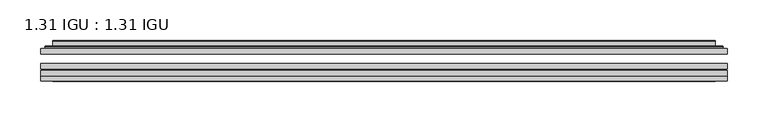
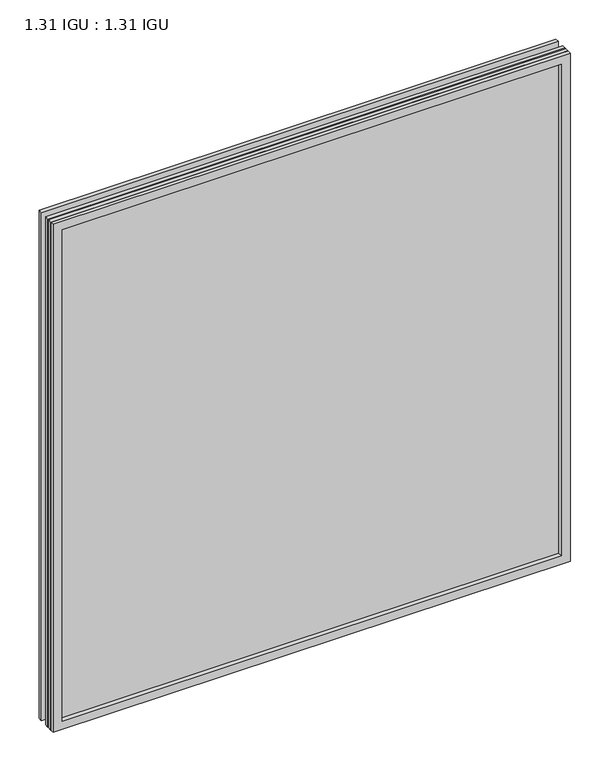
"""IFC4 building model written with IfcOpenShell, lengths in millimetres: plate geometry, 1.31 IGU : 1.31 IGU."""

from ifc_helpers import new_model, si_unit, frame, origin, place, context, project, spatial, polyline, ellipse_curve, outline, extrude, faceted_brep, source, transform, mapped, element, save
from ifc_brep_helpers import plane_surface, cylinder_surface, advanced_brep


def plate_1_31_igu_1_31_igu_829a38d9(model_context):
    return source(origin(), model_context, "Body", "SolidModel", [
        extrude(outline(polyline([(419.114175, -63.2975937), (419.114175, -69.6475938), (-419.1, -69.6475938), (-419.1, -63.2975937), (419.114175, -63.2975937)])), frame((0.0, 0.0, -14.2875), z_axis=(0.0, 0.0, 1.0), x_axis=(1.0, 0.0, 0.0)), (0.0, 0.0, 1.0), 869.9537979),
        extrude(outline(polyline([(-419.1, -78.2835938), (-419.1, -71.9330887), (419.114175, -71.9330887), (419.114175, -78.2835938), (-419.1, -78.2835938)])), frame((0.0, 0.0, -14.2875), z_axis=(0.0, 0.0, 1.0), x_axis=(1.0, 0.0, 0.0)), (0.0, 0.0, 1.0), 869.9537979),
        extrude(outline(polyline([(419.114175, -44.9587937), (419.114175, -51.3087938), (-419.1, -51.3087938), (-419.1, -44.9587937), (419.114175, -44.9587937)])), frame((0.0, 0.0, -14.2875), z_axis=(0.0, 0.0, 1.0), x_axis=(1.0, 0.0, 0.0)), (0.0, 0.0, 1.0), 869.9537979),
        faceted_brep([(-419.1127, -84.6335937, 855.6752), (-419.1127, -78.2835937, 855.6752), (-419.1127, -78.2835937, -14.3002), (-419.1127, -84.6335937, -14.3002), (419.1127, -78.2835937, -14.3002), (419.1127, -84.6335937, -14.3002), (419.1127, -78.2835937, 855.6752), (419.1127, -84.6335937, 855.6752), (-403.9147559, -78.2835937, 0.8977441), (403.9147559, -78.2835937, 0.8977441), (403.9147559, -78.2835937, 840.4772559), (-403.9147559, -78.2835937, 840.4772559), (-404.8071902, -84.6335937, 841.3696902), (404.8071902, -84.6335937, 841.3696902), (404.8071902, -84.6335937, 0.0053098), (-404.8071902, -84.6335937, 0.0053098)], [[[0, 1, 2, 3]], [[3, 2, 4, 5]], [[5, 4, 6, 7]], [[1, 6, 4, 2], [8, 9, 10, 11]], [[7, 6, 1, 0]], [[3, 5, 7, 0], [12, 13, 14, 15]], [[11, 12, 15, 8]], [[8, 15, 14, 9]], [[9, 14, 13, 10]], [[10, 13, 12, 11]]]),
        advanced_brep(
        [(-411.858719, -44.9587937, 848.421219), (-414.2129244, -42.9691271, 850.7754244), (-414.2129244, -42.9691271, -9.4004244), (-411.858719, -44.9587937, -7.046219), (-402.7843939, -41.1187568, 839.3468939), (-397.8495621, -44.9587937, 834.4120621), (-397.8495621, -44.9587937, 6.9629379), (-402.7843939, -41.1187568, 2.0281061), (-403.8164217, -35.7215256, 840.3789217), (-403.8164217, -35.7215256, 0.9960783), (-404.8070784, -35.3225507, 841.3695784), (-404.8070784, -35.3225507, 0.0054216), (-404.8070784, -41.7837937, 841.3695784), (-404.8070784, -41.7837937, 0.0054216), (-413.2111349, -41.7837937, 849.7736349), (-413.2111349, -41.7837937, -8.3986349), (414.2129244, -42.9691271, -9.4004244), (411.858719, -44.9587937, -7.046219), (397.8495621, -44.9587937, 6.9629379), (402.7843939, -41.1187568, 2.0281061), (403.8164217, -35.7215256, 0.9960783), (404.8070784, -35.3225507, 0.0054216), (404.8070784, -41.7837937, 0.0054216), (413.2111349, -41.7837937, -8.3986349), (414.2129244, -42.9691271, 850.7754244), (411.858719, -44.9587937, 848.421219), (397.8495621, -44.9587937, 834.4120621), (402.7843939, -41.1187568, 839.3468939), (403.8164217, -35.7215256, 840.3789217), (404.8070784, -35.3225507, 841.3695784), (404.8070784, -41.7837937, 841.3695784), (413.2111349, -41.7837937, 849.7736349)],
        [
            (0, 1, ellipse_curve(frame((-411.858719, -42.5711937, 848.421219), z_axis=(-0.7071067811865475, 0.0, -0.7071067811865475), x_axis=(-0.7071067811865474, 0.0, 0.7071067811865476)), 3.3765763, 2.3876)),
            (1, 2),
            (2, 3, ellipse_curve(frame((-411.858719, -42.5711937, -7.046219), z_axis=(-0.7071067811865475, 0.0, 0.7071067811865475), x_axis=(0.7071067811865474, 0.0, 0.7071067811865476)), 3.3765763, 2.3876)),
            (3, 0),
            (4, 5),
            (5, 6),
            (6, 7),
            (7, 4),
            (8, 4),
            (7, 9),
            (9, 8),
            (10, 8, ellipse_curve(frame((-404.4401219, -35.840786, 841.0026219), z_axis=(-0.7071067811865475, 0.0, -0.7071067811865475), x_axis=(-0.7071067811865474, 0.0, 0.7071067811865476)), 0.8980256, 0.635)),
            (9, 11, ellipse_curve(frame((-404.4401219, -35.840786, 0.3723781), z_axis=(-0.7071067811865475, 0.0, 0.7071067811865475), x_axis=(0.7071067811865474, 0.0, 0.7071067811865476)), 0.8980256, 0.635)),
            (11, 10),
            (12, 10),
            (11, 13),
            (13, 12),
            (1, 14, ellipse_curve(frame((-413.2111349, -42.7997937, 849.7736349), z_axis=(-0.7071067811865475, 0.0, -0.7071067811865475), x_axis=(-0.7071067811865474, 0.0, 0.7071067811865476)), 1.436841, 1.016)),
            (14, 15),
            (15, 2, ellipse_curve(frame((-413.2111349, -42.7997937, -8.3986349), z_axis=(-0.7071067811865475, 0.0, 0.7071067811865475), x_axis=(0.7071067811865474, 0.0, 0.7071067811865476)), 1.436841, 1.016)),
            (2, 16),
            (16, 17, ellipse_curve(frame((411.858719, -42.5711937, -7.046219), z_axis=(-0.7071067811865475, 0.0, -0.7071067811865475), x_axis=(-0.7071067811865476, 0.0, 0.7071067811865474)), 3.3765763, 2.3876)),
            (17, 3),
            (6, 18),
            (18, 19),
            (19, 7),
            (19, 20),
            (20, 9),
            (20, 21, ellipse_curve(frame((404.4401219, -35.840786, 0.3723781), z_axis=(-0.7071067811865475, 0.0, -0.7071067811865475), x_axis=(-0.7071067811865476, 0.0, 0.7071067811865474)), 0.8980256, 0.635)),
            (21, 11),
            (21, 22),
            (22, 13),
            (15, 23),
            (23, 16, ellipse_curve(frame((413.2111349, -42.7997937, -8.3986349), z_axis=(-0.7071067811865475, 0.0, -0.7071067811865475), x_axis=(-0.7071067811865476, 0.0, 0.7071067811865474)), 1.436841, 1.016)),
            (16, 24),
            (24, 25, ellipse_curve(frame((411.858719, -42.5711937, 848.421219), z_axis=(0.7071067811865475, 0.0, -0.7071067811865475), x_axis=(-0.7071067811865474, 0.0, -0.7071067811865476)), 3.3765763, 2.3876)),
            (25, 17),
            (18, 26),
            (26, 27),
            (27, 19),
            (27, 28),
            (28, 20),
            (28, 29, ellipse_curve(frame((404.4401219, -35.840786, 841.0026219), z_axis=(0.7071067811865475, 0.0, -0.7071067811865475), x_axis=(-0.7071067811865474, 0.0, -0.7071067811865476)), 0.8980256, 0.635)),
            (29, 21),
            (29, 30),
            (30, 22),
            (23, 31),
            (31, 24, ellipse_curve(frame((413.2111349, -42.7997937, 849.7736349), z_axis=(0.7071067811865475, 0.0, -0.7071067811865475), x_axis=(-0.7071067811865474, 0.0, -0.7071067811865476)), 1.436841, 1.016)),
            (24, 1),
            (0, 25),
            (5, 26),
            (4, 27),
            (8, 28),
            (10, 29),
            (12, 30),
            (14, 31),
        ],
        [
            cylinder_surface(frame((-411.858719, -42.5711937, 873.125), z_axis=(0.0, 0.0, 1.0), x_axis=(-1.0, 0.0, 0.0)), 2.3876),
            plane_surface(frame((-397.8495621, -44.9587937, 834.4120621), z_axis=(0.6141233906514794, 0.7892100234124821, 0.0), x_axis=(0.0, 0.0, -1.0))),
            plane_surface(frame((-402.7843939, -41.1187568, 839.3468939), z_axis=(0.9822050625507729, 0.18781164793386076, 0.0), x_axis=(0.0, 0.0, -1.0))),
            cylinder_surface(frame((-404.4401219, -35.840786, 873.125), z_axis=(0.0, 0.0, 1.0), x_axis=(-1.0, 0.0, 0.0)), 0.635),
            plane_surface(frame((-404.8070784, -35.3225507, 841.3695784), z_axis=(-1.0, 0.0, 0.0), x_axis=(0.0, 0.0, -1.0))),
            cylinder_surface(frame((-413.2111349, -42.7997937, 873.125), z_axis=(0.0, 0.0, 1.0), x_axis=(-1.0, 0.0, 0.0)), 1.016),
            cylinder_surface(frame((-436.5625, -42.5711937, -7.046219), z_axis=(-1.0, 0.0, 0.0), x_axis=(0.0, 0.0, -1.0)), 2.3876),
            plane_surface(frame((-397.8495621, -44.9587937, 6.9629379), z_axis=(0.0, 0.7892100234124841, 0.6141233906514768), x_axis=(1.0, 0.0, 0.0))),
            plane_surface(frame((-402.7843939, -41.1187568, 2.0281061), z_axis=(0.0, 0.18781164793386393, 0.9822050625507723), x_axis=(1.0, 0.0, 0.0))),
            cylinder_surface(frame((-436.5625, -35.840786, 0.3723781), z_axis=(-1.0, 0.0, 0.0), x_axis=(0.0, 0.0, -1.0)), 0.635),
            plane_surface(frame((-404.8070784, -35.3225507, 0.0054216), z_axis=(0.0, 0.0, -1.0), x_axis=(1.0, 0.0, 0.0))),
            cylinder_surface(frame((-436.5625, -42.7997937, -8.3986349), z_axis=(-1.0, 0.0, 0.0), x_axis=(0.0, 0.0, -1.0)), 1.016),
            cylinder_surface(frame((411.858719, -42.5711937, -31.75), z_axis=(0.0, 0.0, -1.0), x_axis=(1.0, 0.0, 0.0)), 2.3876),
            plane_surface(frame((397.8495621, -44.9587937, 6.9629379), z_axis=(-0.6141233906514743, 0.7892100234124861, 0.0), x_axis=(0.0, 0.0, 1.0))),
            plane_surface(frame((402.7843939, -41.1187568, 2.0281061), z_axis=(-0.9822050625507718, 0.1878116479338671, 0.0), x_axis=(0.0, 0.0, 1.0))),
            cylinder_surface(frame((404.4401219, -35.840786, -31.75), z_axis=(0.0, 0.0, -1.0), x_axis=(1.0, 0.0, 0.0)), 0.635),
            plane_surface(frame((404.8070784, -35.3225507, 0.0054216), z_axis=(1.0, 0.0, 0.0), x_axis=(0.0, 0.0, 1.0))),
            cylinder_surface(frame((413.2111349, -42.7997937, -31.75), z_axis=(0.0, 0.0, -1.0), x_axis=(1.0, 0.0, 0.0)), 1.016),
            cylinder_surface(frame((436.5625, -42.5711937, 848.421219), z_axis=(1.0, 0.0, 0.0), x_axis=(0.0, 0.0, 1.0)), 2.3876),
            plane_surface(frame((411.858719, -44.9587937, 848.421219), z_axis=(0.0, -1.0, 0.0), x_axis=(-1.0, 0.0, 0.0))),
            plane_surface(frame((397.8495621, -44.9587937, 834.4120621), z_axis=(0.0, 0.7892100234124841, -0.6141233906514768), x_axis=(-1.0, 0.0, 0.0))),
            plane_surface(frame((402.7843939, -41.1187568, 839.3468939), z_axis=(0.0, 0.18781164793386393, -0.9822050625507723), x_axis=(-1.0, 0.0, 0.0))),
            cylinder_surface(frame((436.5625, -35.840786, 841.0026219), z_axis=(1.0, 0.0, 0.0), x_axis=(0.0, 0.0, 1.0)), 0.635),
            plane_surface(frame((404.8070784, -35.3225507, 841.3695784), z_axis=(0.0, 0.0, 1.0), x_axis=(-1.0, 0.0, 0.0))),
            plane_surface(frame((404.8070784, -41.7837937, 841.3695784), z_axis=(0.0, 1.0, 0.0), x_axis=(-1.0, 0.0, 0.0))),
            cylinder_surface(frame((436.5625, -42.7997937, 849.7736349), z_axis=(1.0, 0.0, 0.0), x_axis=(0.0, 0.0, 1.0)), 1.016),
        ],
        [
            (0, [[1, 2, 3, 4]]),
            (1, [[5, 6, 7, 8]]),
            (2, [[9, -8, 10, 11]]),
            (3, [[12, -11, 13, 14]]),
            (4, [[15, -14, 16, 17]]),
            (5, [[18, 19, 20, -2]]),
            (6, [[-3, 21, 22, 23]]),
            (7, [[-7, 24, 25, 26]]),
            (8, [[-10, -26, 27, 28]]),
            (9, [[-13, -28, 29, 30]]),
            (10, [[-16, -30, 31, 32]]),
            (11, [[-20, 33, 34, -21]]),
            (12, [[-22, 35, 36, 37]]),
            (13, [[-25, 38, 39, 40]]),
            (14, [[-27, -40, 41, 42]]),
            (15, [[-29, -42, 43, 44]]),
            (16, [[-31, -44, 45, 46]]),
            (17, [[-34, 47, 48, -35]]),
            (18, [[-36, 49, -1, 50]]),
            (19, [[-23, -37, -50, -4], [51, -38, -24, -6]]),
            (20, [[-39, -51, -5, 52]]),
            (21, [[-41, -52, -9, 53]]),
            (22, [[-43, -53, -12, 54]]),
            (23, [[-45, -54, -15, 55]]),
            (24, [[56, -47, -33, -19], [-32, -46, -55, -17]]),
            (25, [[-48, -56, -18, -49]]),
        ],
    ),
    ])


if __name__ == "__main__":
    model = new_model("IFC4")
    model_context = context("Model", 3, world=origin())
    ifc_project = project(units=[si_unit("LENGTHUNIT", "METRE", prefix="MILLI")], contexts=[model_context])
    site = spatial("IfcSite", under=ifc_project)
    building = spatial("IfcBuilding", under=site)
    placement = place(None, origin())
    plate_1_31_igu_1_31_igu_shape = plate_1_31_igu_1_31_igu_829a38d9(model_context)
    element("IfcPlate", 1, ObjectType="1.31 IGU : 1.31 IGU", at=placement, inside=building, context=model_context, shape_type="MappedRepresentation", body=[
        mapped(plate_1_31_igu_1_31_igu_shape, transform((0.0, 0.0, 0.0), x_axis=(1.0, 0.0, 0.0), y_axis=(0.0, 1.0, 0.0), z_axis=(0.0, 0.0, 1.0))),
    ])
    save(model, "model.ifc")
